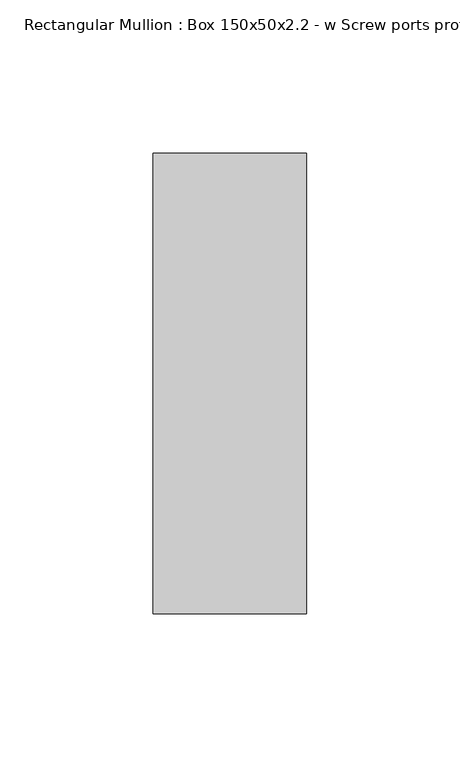
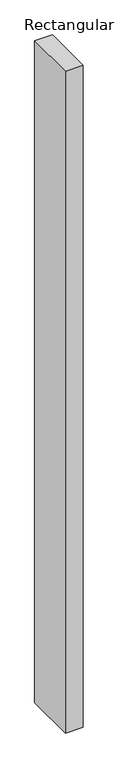
"""IFC4 building model written with IfcOpenShell, lengths in millimetres: member geometry, Rectangular Mullion : Box 150x50x2.2 - w Screw ports profile."""

from ifc_helpers import new_model, si_unit, frame, origin, place, context, project, spatial, polyline, outline, extrude, source, transform, mapped, element, save


def rectangular_mullion_box_150x50x2_2_w_screw_ports_profile_06b46e62(model_context):
    return source(origin(), model_context, "Body", "SweptSolid", [
        extrude(outline(polyline([(25.0, 75.0), (25.0, -75.0), (-25.0, -75.0), (-25.0, 75.0), (25.0, 75.0)])), frame((0.0, 0.0, -1980.0), z_axis=(0.0, 0.0, 1.0), x_axis=(1.0, 0.0, 0.0)), (0.0, 0.0, 1.0), 1980.0),
    ])


if __name__ == "__main__":
    model = new_model("IFC4")
    model_context = context("Model", 3, world=origin())
    ifc_project = project(units=[si_unit("LENGTHUNIT", "METRE", prefix="MILLI")], contexts=[model_context])
    site = spatial("IfcSite", under=ifc_project)
    building = spatial("IfcBuilding", under=site)
    placement = place(None, origin())
    rectangular_mullion_box_150x50x2_2_w_screw_ports_profile_shape = rectangular_mullion_box_150x50x2_2_w_screw_ports_profile_06b46e62(model_context)
    element("IfcMember", 1, ObjectType="Rectangular Mullion : Box 150x50x2.2 - w Screw ports profile", at=placement, inside=building, context=model_context, shape_type="MappedRepresentation", body=[
        mapped(rectangular_mullion_box_150x50x2_2_w_screw_ports_profile_shape, transform((0.0, 0.0, 0.0), x_axis=(1.0, 0.0, 0.0), y_axis=(0.0, 1.0, 0.0), z_axis=(0.0, 0.0, 1.0))),
    ])
    save(model, "model.ifc")
